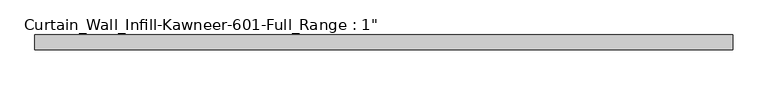
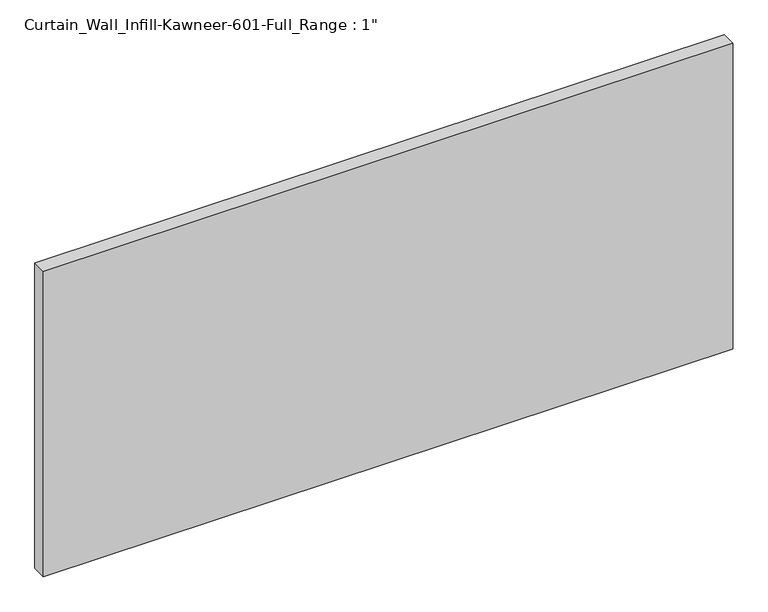
"""IFC4 building model written with IfcOpenShell, lengths in millimetres: plate geometry."""

from ifc_helpers import new_model, si_unit, origin, origin_with_axes, place, context, project, spatial, polyline, outline, extrude, source, transform, mapped, element, save


def plate_753b9bf9(model_context):
    return source(origin(), model_context, "Body", "SweptSolid", [
        extrude(outline(polyline([(-589.4916667, 12.7), (589.4916667, 12.7), (589.4916667, -12.7), (-589.4916667, -12.7), (-589.4916667, 12.7)])), origin_with_axes(), (0.0, 0.0, 1.0), 552.45),
    ])


if __name__ == "__main__":
    model = new_model("IFC4")
    model_context = context("Model", 3, world=origin())
    ifc_project = project(units=[si_unit("LENGTHUNIT", "METRE", prefix="MILLI")], contexts=[model_context])
    site = spatial("IfcSite", under=ifc_project)
    building = spatial("IfcBuilding", under=site)
    placement = place(None, origin())
    plate_shape = plate_753b9bf9(model_context)
    element("IfcPlate", 1, ObjectType="Curtain_Wall_Infill-Kawneer-601-Full_Range : 1\"", at=placement, inside=building, context=model_context, shape_type="MappedRepresentation", body=[
        mapped(plate_shape, transform((0.0, 0.0, 0.0), x_axis=(1.0, 0.0, 0.0), y_axis=(0.0, 1.0, 0.0), z_axis=(0.0, 0.0, 1.0))),
    ])
    save(model, "model.ifc")
